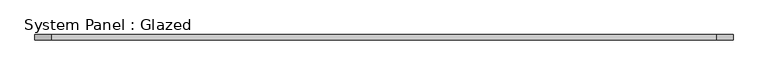
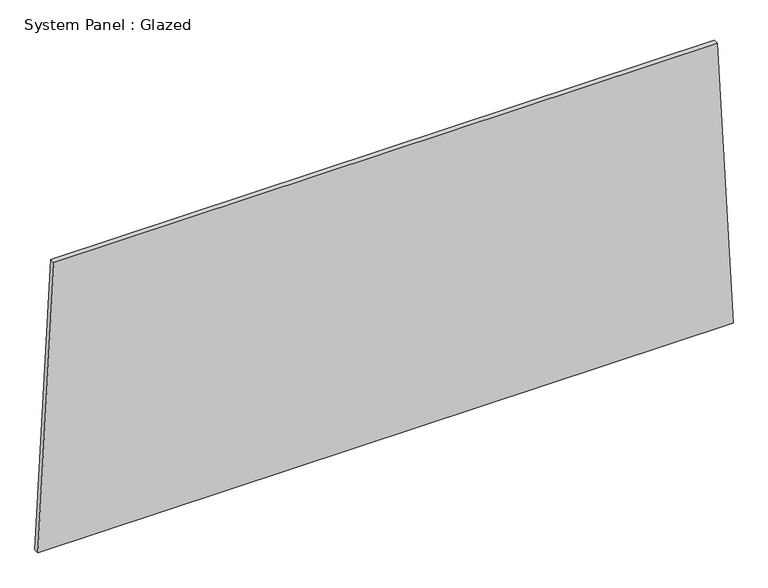
"""IFC4 building model written with IfcOpenShell, lengths in millimetres: plate geometry, System Panel : Glazed."""

from ifc_helpers import new_model, si_unit, frame, origin, place, context, project, spatial, polyline, outline, extrude, source, transform, mapped, element, save


def system_panel_glazed_5d10c0e4(model_context):
    return source(origin(), model_context, "Body", "SweptSolid", [
        extrude(outline(polyline([(0.0, -1697.2809443), (0.0, 1697.2809443), (1472.8828363, 1618.9278764), (1472.8818761, -1618.9279701), (0.0, -1697.2809443)])), frame((0.0, -49.5, 0.0), z_axis=(0.0, 1.0, 0.0), x_axis=(0.0, 0.0, 1.0)), (0.0, 0.0, 1.0), 25.0),
    ])


if __name__ == "__main__":
    model = new_model("IFC4")
    model_context = context("Model", 3, world=origin())
    ifc_project = project(units=[si_unit("LENGTHUNIT", "METRE", prefix="MILLI")], contexts=[model_context])
    site = spatial("IfcSite", under=ifc_project)
    building = spatial("IfcBuilding", under=site)
    placement = place(None, origin())
    system_panel_glazed_shape = system_panel_glazed_5d10c0e4(model_context)
    element("IfcPlate", 1, ObjectType="System Panel : Glazed", at=placement, inside=building, context=model_context, shape_type="MappedRepresentation", body=[
        mapped(system_panel_glazed_shape, transform((0.0, 0.0, 0.0), x_axis=(1.0, 0.0, 0.0), y_axis=(0.0, 1.0, 0.0), z_axis=(0.0, 0.0, 1.0))),
    ])
    save(model, "model.ifc")
